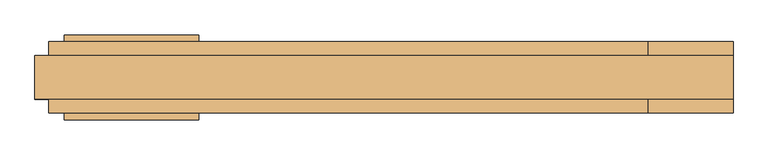
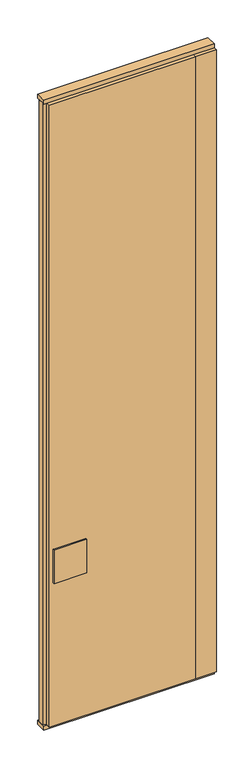
"""IFC4 building model written with IfcOpenShell, lengths in millimetres: door geometry."""

from ifc_helpers import new_model, si_unit, frame, origin, origin_with_axes, place, context, project, spatial, polyline, outline, extrude, source, transform, mapped, element, save


def door_03f7c02b(model_context):
    return source(origin(), model_context, "Body", "SweptSolid", [
        extrude(outline(polyline([(387.5, 52.5), (387.5, 23.0), (407.5, 17.6410162), (407.5, -17.6410162), (387.5, -23.0), (387.5, -52.5), (-492.5, -52.5), (-492.5, -23.0), (-512.5, -17.6410162), (-512.5, 17.6410162), (-492.5, 23.0), (-492.5, 52.5), (387.5, 52.5)])), frame((0.0, 0.0, 25.0), z_axis=(0.0, 0.0, 1.0), x_axis=(1.0, 0.0, 0.0)), (0.0, 0.0, 1.0), 3950.0),
        extrude(outline(polyline([(-272.2719698, -62.5), (-469.2719698, -62.5), (-469.2719698, -52.5), (-272.2719698, -52.5), (-272.2719698, -62.5)])), frame((0.0, 0.0, 934.0), z_axis=(0.0, 0.0, 1.0), x_axis=(1.0, 0.0, 0.0)), (0.0, 0.0, 1.0), 212.0),
        extrude(outline(polyline([(-272.2719698, 52.5), (-469.2719698, 52.5), (-469.2719698, 62.5), (-272.2719698, 62.5), (-272.2719698, 52.5)])), frame((0.0, 0.0, 934.0), z_axis=(0.0, 0.0, 1.0), x_axis=(1.0, 0.0, 0.0)), (0.0, 0.0, 1.0), 212.0),
        extrude(outline(polyline([(387.5, -52.5), (387.5, -23.0), (407.5, -17.6410162), (407.5, 17.6410162), (387.5, 23.0), (387.5, 52.5), (512.5, 52.5), (512.5, -52.5), (387.5, -52.5)])), frame((0.0, 0.0, 25.0), z_axis=(0.0, 0.0, 1.0), x_axis=(1.0, 0.0, 0.0)), (0.0, 0.0, 1.0), 3950.0),
        extrude(outline(polyline([(512.5, 32.0), (512.5, -32.0), (-512.5, -32.0), (-512.5, 32.0), (512.5, 32.0)])), origin_with_axes(), (0.0, 0.0, 1.0), 25.0),
        extrude(outline(polyline([(512.5, 32.0), (512.5, -32.0), (-512.5, -32.0), (-512.5, 32.0), (512.5, 32.0)])), frame((0.0, 0.0, 3975.0), z_axis=(0.0, 0.0, 1.0), x_axis=(1.0, 0.0, 0.0)), (0.0, 0.0, 1.0), 25.0),
    ])


if __name__ == "__main__":
    model = new_model("IFC4")
    model_context = context("Model", 3, world=origin())
    ifc_project = project(units=[si_unit("LENGTHUNIT", "METRE", prefix="MILLI")], contexts=[model_context])
    site = spatial("IfcSite", under=ifc_project)
    building = spatial("IfcBuilding", under=site)
    placement = place(None, origin())
    door_shape = door_03f7c02b(model_context)
    element("IfcDoor", 1, at=placement, inside=building, context=model_context, shape_type="MappedRepresentation", body=[
        mapped(door_shape, transform((0.0, 0.0, 0.0), x_axis=(1.0, 0.0, 0.0), y_axis=(0.0, 1.0, 0.0), z_axis=(0.0, 0.0, 1.0))),
    ])
    save(model, "model.ifc")
